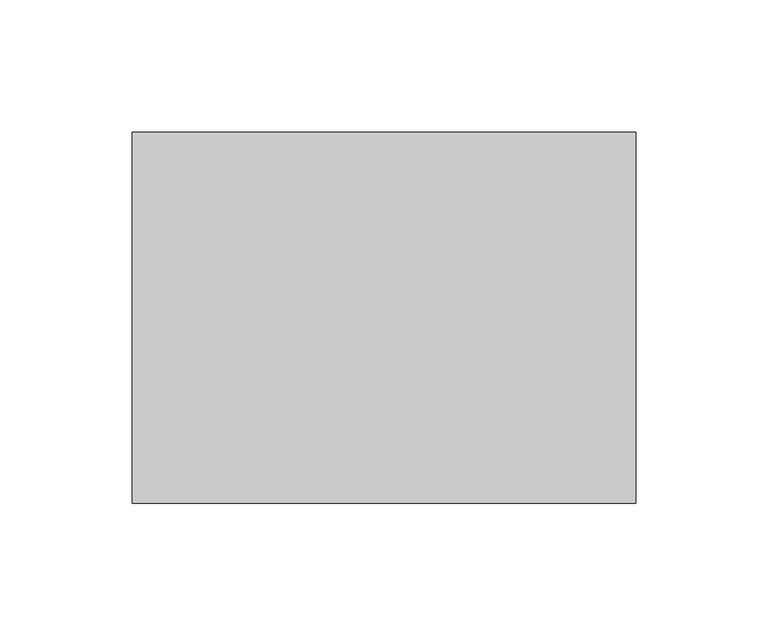
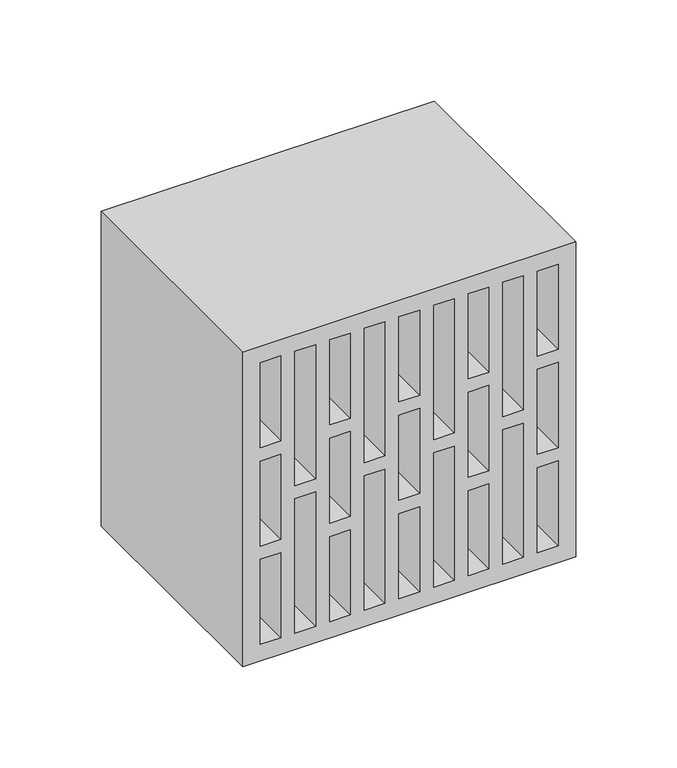
"""IFC4 building model written with IfcOpenShell, lengths in millimetres: proxy geometry."""

from ifc_helpers import new_model, si_unit, frame, origin, place, context, project, spatial, polyline, outline, extrude, source, transform, mapped, element, save


def generic_models_7060bfb7(model_context):
    return source(origin(), model_context, "Body", "SweptSolid", [
        extrude(outline(polyline([(189.9759811, 0.0), (0.0, 0.0), (0.0, 190.0), (189.9759811, 190.0), (189.9759811, 0.0)]), holes=[polyline([(61.3, 168.23), (61.3, 180.0), (10.0, 180.0), (10.0, 168.23), (61.3, 168.23)]), polyline([(128.6759811, 168.23), (179.9759811, 168.23), (179.9759811, 180.0), (128.6759811, 180.0), (128.6759811, 168.23)]), polyline([(120.6759811, 180.0), (69.3, 180.0), (69.3, 168.23), (120.6759811, 168.23), (120.6759811, 180.0)]), polyline([(61.3, 21.77), (10.0, 21.77), (10.0, 10.0), (61.3, 10.0), (61.3, 21.77)]), polyline([(128.6759811, 21.77), (128.6759811, 10.0), (179.9759811, 10.0), (179.9759811, 21.77), (128.6759811, 21.77)]), polyline([(120.6759811, 10.0), (120.6759811, 21.77), (69.3, 21.77), (69.3, 10.0), (120.6759811, 10.0)]), polyline([(91.0, 29.77), (91.0, 41.54), (10.0, 41.54), (10.0, 29.77), (91.0, 29.77)]), polyline([(98.9759811, 29.77), (179.9759811, 29.77), (179.9759811, 41.54), (98.9759811, 41.54), (98.9759811, 29.77)]), polyline([(91.0, 160.23), (10.0, 160.23), (10.0, 148.46), (91.0, 148.46), (91.0, 160.23)]), polyline([(98.9759811, 160.23), (98.9759811, 148.46), (179.9759811, 148.46), (179.9759811, 160.23), (98.9759811, 160.23)]), polyline([(61.3, 140.46), (10.0, 140.46), (10.0, 128.69), (61.3, 128.69), (61.3, 140.46)]), polyline([(128.6759811, 140.46), (128.6759811, 128.69), (179.9759811, 128.69), (179.9759811, 140.46), (128.6759811, 140.46)]), polyline([(120.6759811, 128.69), (120.6759811, 140.46), (69.3, 140.46), (69.3, 128.69), (120.6759811, 128.69)]), polyline([(61.3, 49.54), (61.3, 61.31), (10.0, 61.31), (10.0, 49.54), (61.3, 49.54)]), polyline([(128.6759811, 49.54), (179.9759811, 49.54), (179.9759811, 61.31), (128.6759811, 61.31), (128.6759811, 49.54)]), polyline([(120.6759811, 61.31), (69.3, 61.31), (69.3, 49.54), (120.6759811, 49.54), (120.6759811, 61.31)]), polyline([(91.0, 108.92), (91.0, 120.69), (10.0, 120.69), (10.0, 108.92), (91.0, 108.92)]), polyline([(98.9759811, 108.92), (179.9759811, 108.92), (179.9759811, 120.69), (98.9759811, 120.69), (98.9759811, 108.92)]), polyline([(91.0, 81.08), (10.0, 81.08), (10.0, 69.31), (91.0, 69.31), (91.0, 81.08)]), polyline([(98.9759811, 81.08), (98.9759811, 69.31), (179.9759811, 69.31), (179.9759811, 81.08), (98.9759811, 81.08)]), polyline([(61.3, 89.08), (61.3, 100.92), (10.0, 100.92), (10.0, 89.08), (61.3, 89.08)]), polyline([(128.6759811, 89.08), (179.9759811, 89.08), (179.9759811, 100.92), (128.6759811, 100.92), (128.6759811, 89.08)]), polyline([(120.6759811, 100.92), (69.3, 100.92), (69.3, 89.08), (120.6759811, 89.08), (120.6759811, 100.92)])]), frame((0.0, 0.0, 0.0), z_axis=(0.0, 1.0, 0.0), x_axis=(0.0, 0.0, 1.0)), (0.0, 0.0, 1.0), 140.0),
    ])


if __name__ == "__main__":
    model = new_model("IFC4")
    model_context = context("Model", 3, world=origin())
    ifc_project = project(units=[si_unit("LENGTHUNIT", "METRE", prefix="MILLI")], contexts=[model_context])
    site = spatial("IfcSite", under=ifc_project)
    building = spatial("IfcBuilding", under=site)
    placement = place(None, origin())
    generic_models_shape = generic_models_7060bfb7(model_context)
    element("IfcBuildingElementProxy", 1, Name="Generic Models", at=placement, inside=building, context=model_context, shape_type="MappedRepresentation", body=[
        mapped(generic_models_shape, transform((0.0, 0.0, 0.0), x_axis=(1.0, 0.0, 0.0), y_axis=(0.0, 1.0, 0.0), z_axis=(0.0, 0.0, 1.0))),
    ])
    save(model, "model.ifc")
